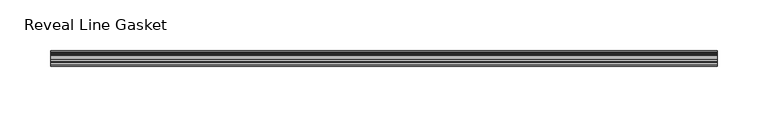
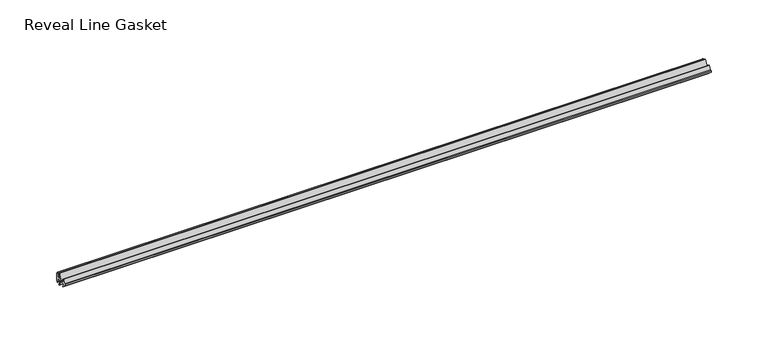
"""IFC4 building model written with IfcOpenShell, lengths in millimetres: furniture geometry, Reveal Line Gasket."""

from ifc_helpers import new_model, si_unit, point, frame, frame_2d, origin, place, context, project, spatial, polyline, circle_curve, trimmed, segment, composite_curve, outline, extrude, source, transform, mapped, element, save


def reveal_line_gasket_417e901b(model_context):
    return source(origin(), model_context, "Body", "SweptSolid", [
        extrude(outline(composite_curve([segment(polyline([(7.6326998, 1603.2), (7.6326998, 1597.2), (7.4091917, 1596.2445073), (6.8813059, 1595.3115316)]), True, "CONTINUOUS"), segment(trimmed(circle_curve(frame_2d((6.5243141, 1595.5135207)), 0.4101739), [point((6.8813059, 1595.3115316))], [point((6.1246704, 1595.6058653))], False, "CARTESIAN"), True, "CONTINUOUS"), segment(polyline([(6.1246704, 1595.6058653), (6.3626997, 1597.3020914), (6.3626997, 1599.3345473)]), True, "CONTINUOUS"), segment(trimmed(circle_curve(frame_2d((5.6959605, 1598.9180742)), 0.786124), [point((6.3626997, 1599.3345473))], [point((5.0926996, 1599.422125))], True, "CARTESIAN"), True, "CONTINUOUS"), segment(polyline([(5.0926996, 1599.422125), (0.7492996, 1599.422125), (3.7293824, 1594.2604705)]), True, "CONTINUOUS"), segment(trimmed(circle_curve(frame_2d((3.3132479, 1594.1950239)), 0.4212495), [point((3.7293824, 1594.2604705))], [point((3.0485022, 1593.8673642))], False, "CARTESIAN"), True, "CONTINUOUS"), segment(polyline([(3.0485022, 1593.8673642), (-0.5742594, 1599.422125), (-4.8262978, 1599.422125), (-3.1660374, 1596.5464703)]), True, "CONTINUOUS"), segment(trimmed(circle_curve(frame_2d((-3.5978728, 1596.4881145)), 0.4357605), [point((-3.1660374, 1596.5464703))], [point((-3.864328, 1596.1433119))], False, "CARTESIAN"), True, "CONTINUOUS"), segment(polyline([(-3.864328, 1596.1433119), (-6.1944059, 1599.422125), (-7.6326998, 1599.422125), (-7.6326998, 1600.977875), (-6.1944059, 1600.977875), (-3.864328, 1604.2566881)]), True, "CONTINUOUS"), segment(trimmed(circle_curve(frame_2d((-3.5978728, 1603.9118855)), 0.4357605), [point((-3.864328, 1604.2566881))], [point((-3.1660374, 1603.8535297))], False, "CARTESIAN"), True, "CONTINUOUS"), segment(polyline([(-3.1660374, 1603.8535297), (-4.8262978, 1600.977875), (-0.5742594, 1600.977875), (3.0485022, 1606.5326358)]), True, "CONTINUOUS"), segment(trimmed(circle_curve(frame_2d((3.3132479, 1606.2049761)), 0.4212495), [point((3.0485022, 1606.5326358))], [point((3.7293824, 1606.1395295))], False, "CARTESIAN"), True, "CONTINUOUS"), segment(polyline([(3.7293824, 1606.1395295), (0.7492996, 1600.977875), (5.0926996, 1600.977875)]), True, "CONTINUOUS"), segment(trimmed(circle_curve(frame_2d((5.6959605, 1601.4819258)), 0.786124), [point((5.0926996, 1600.977875))], [point((6.3626997, 1601.0654527))], True, "CARTESIAN"), True, "CONTINUOUS"), segment(polyline([(6.3626997, 1601.0654527), (6.3626997, 1603.0979086), (6.1246704, 1604.7941347)]), True, "CONTINUOUS"), segment(trimmed(circle_curve(frame_2d((6.5243141, 1604.8864793)), 0.4101739), [point((6.1246704, 1604.7941347))], [point((6.8813059, 1605.0884684))], False, "CARTESIAN"), True, "CONTINUOUS"), segment(polyline([(6.8813059, 1605.0884684), (7.4091917, 1604.1554927), (7.6326998, 1603.2)]), True, "CONTINUOUS")], self_intersect=False)), frame((-328.3204, 0.0, 0.0), z_axis=(1.0, 0.0, 0.0), x_axis=(0.0, 1.0, 0.0)), (0.0, 0.0, 1.0), 656.6408),
    ])


if __name__ == "__main__":
    model = new_model("IFC4")
    model_context = context("Model", 3, world=origin())
    ifc_project = project(units=[si_unit("LENGTHUNIT", "METRE", prefix="MILLI")], contexts=[model_context])
    site = spatial("IfcSite", under=ifc_project)
    building = spatial("IfcBuilding", under=site)
    placement = place(None, origin())
    reveal_line_gasket_shape = reveal_line_gasket_417e901b(model_context)
    element("IfcFurniture", 1, ObjectType="Reveal Line Gasket", at=placement, inside=building, context=model_context, shape_type="MappedRepresentation", body=[
        mapped(reveal_line_gasket_shape, transform((0.0, 0.0, 0.0), x_axis=(1.0, 0.0, 0.0), y_axis=(0.0, 1.0, 0.0), z_axis=(0.0, 0.0, 1.0))),
    ])
    save(model, "model.ifc")
